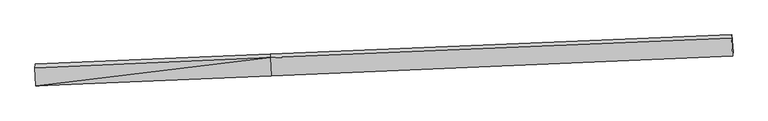
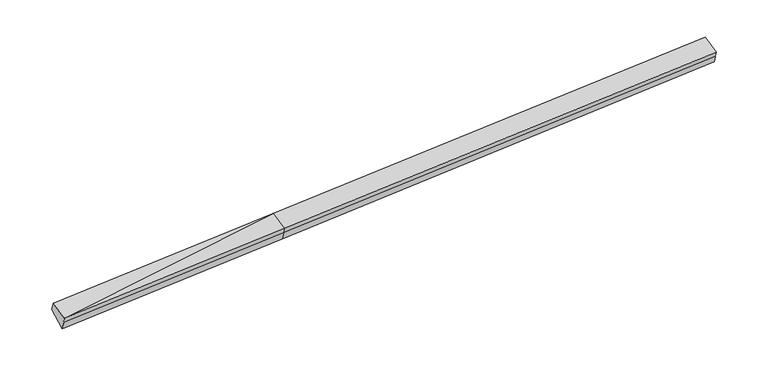
"""IFC4 building model written with IfcOpenShell, lengths in millimetres: proxy geometry."""

import ifcopenshell
import ifcopenshell.guid

model = None  # the IFC model being written
_history = None  # IfcOwnerHistory: only IFC2X3 demands one
_inside = {}  # id of a spatial element -> (the spatial element, [elements in it])
_under = {}  # id of a project, library or spatial element -> (it, [spatial elements below it])
_declared = {}  # id of a project -> (the project, [libraries it declares])
_typed = {}  # id of a type object -> (the type object, [elements of that type])
_made_of = {}  # id of a material, layer set ... -> (it, [elements and type objects made of it])


def new_model(schema):
    """Start an empty IFC model of exactly this schema.

    Asked for "IFC4X3", IfcOpenShell would pick the latest addendum, in which some entities
    have other attributes; the version numbers below select the first issue.
    IFC2X3 requires an IfcOwnerHistory on every rooted entity: one is made here for all.
    """
    global model, _history
    if schema == "IFC4X3":
        model = ifcopenshell.file(schema_version=(4, 3, 0, 0))
    else:
        model = ifcopenshell.file(schema=schema)
    _inside.clear()
    _under.clear()
    _declared.clear()
    _typed.clear()
    _made_of.clear()
    _history = None
    if model.schema == "IFC2X3":
        org = make("IfcOrganization", Name="unknown")
        user = make(
            "IfcPersonAndOrganization",
            ThePerson=make("IfcPerson", FamilyName="unknown"),
            TheOrganization=org,
        )
        app = make(
            "IfcApplication",
            ApplicationDeveloper=org,
            Version="unknown",
            ApplicationFullName="unknown",
            ApplicationIdentifier="unknown",
        )
        _history = make(
            "IfcOwnerHistory",
            OwningUser=user,
            OwningApplication=app,
            ChangeAction="ADDED",
            CreationDate=0,
        )
    return model


def make(cls, **values):
    """One entity of the class cls with the attributes given. An attribute that is None is left unset."""
    return model.create_entity(
        cls, **{name: value for name, value in values.items() if value is not None}
    )


def rooted(cls, **values):
    """An entity with a GlobalId (a new one), such as an element, a storey or a relation."""
    return make(cls, GlobalId=ifcopenshell.guid.new(), OwnerHistory=_history, **values)


def si_unit(unit_type, name, prefix=None):
    """IfcSIUnit, for example si_unit("LENGTHUNIT", "METRE", prefix="MILLI")."""
    return make("IfcSIUnit", UnitType=unit_type, Prefix=prefix, Name=name)


def assignment(units):
    """IfcUnitAssignment: the units of a project."""
    return None if units is None else make("IfcUnitAssignment", Units=units)


def point(xyz):
    """IfcCartesianPoint."""
    return None if xyz is None else make("IfcCartesianPoint", Coordinates=xyz)


def direction(xyz):
    """IfcDirection."""
    return None if xyz is None else make("IfcDirection", DirectionRatios=xyz)


def frame(location, z_axis=None, x_axis=None):
    """IfcAxis2Placement3D, a coordinate frame: its origin and axes. An axis left out is left unset."""
    return make(
        "IfcAxis2Placement3D",
        Location=point(location),
        Axis=direction(z_axis),
        RefDirection=direction(x_axis),
    )


def origin():
    """The frame at (0, 0, 0) with its axes left unset."""
    return frame((0.0, 0.0, 0.0))


def place(relative_to, where):
    """IfcLocalPlacement: puts the frame where relative to a parent placement (None: the world)."""
    return make(
        "IfcLocalPlacement", PlacementRelTo=relative_to, RelativePlacement=where
    )


def context(
    kind, dimensions, precision=None, world=None, true_north=None, identifier=None
):
    """IfcGeometricRepresentationContext, for example the 3D "Model" context."""
    return make(
        "IfcGeometricRepresentationContext",
        ContextIdentifier=identifier,
        ContextType=kind,
        CoordinateSpaceDimension=dimensions,
        Precision=precision,
        WorldCoordinateSystem=world,
        TrueNorth=true_north,
    )


def project(units=None, contexts=None):
    """IfcProject with its units and contexts."""
    return rooted(
        "IfcProject",
        Name="project",
        RepresentationContexts=contexts,
        UnitsInContext=assignment(units),
    )


def spatial(cls, under=None, at=None, **own):
    """A site, building, storey or space (cls), placed at a placement, below another one or the project."""
    s = rooted(cls, ObjectPlacement=at, **own)
    if under is not None:
        _under.setdefault(under.id(), (under, []))[1].append(s)
    return s


def shape(context_of_items, identifier, shape_type, items):
    """IfcShapeRepresentation: the items that make up one representation, for example the "Body"."""
    return make(
        "IfcShapeRepresentation",
        ContextOfItems=context_of_items,
        RepresentationIdentifier=identifier,
        RepresentationType=shape_type,
        Items=items,
    )


def source(mapping_origin, context_of_items, identifier, shape_type, items):
    """IfcRepresentationMap: a shape defined once, which mapped items show again and again."""
    return make(
        "IfcRepresentationMap",
        MappingOrigin=mapping_origin,
        MappedRepresentation=shape(context_of_items, identifier, shape_type, items),
    )


def transform(
    local_origin,
    x_axis=None,
    y_axis=None,
    z_axis=None,
    scale=None,
    scale2=None,
    scale3=None,
    uniform=True,
):
    """IfcCartesianTransformationOperator3D, or its non-uniform kind. x_axis, y_axis, z_axis: its Axis1, 2, 3."""
    if uniform:
        return make(
            "IfcCartesianTransformationOperator3D",
            Axis1=direction(x_axis),
            Axis2=direction(y_axis),
            LocalOrigin=point(local_origin),
            Scale=scale,
            Axis3=direction(z_axis),
        )
    return make(
        "IfcCartesianTransformationOperator3DnonUniform",
        Axis1=direction(x_axis),
        Axis2=direction(y_axis),
        LocalOrigin=point(local_origin),
        Scale=scale,
        Axis3=direction(z_axis),
        Scale2=scale2,
        Scale3=scale3,
    )


def mapped(mapping_source, mapping_target):
    """IfcMappedItem: shows the shape of a source again, moved by a transform."""
    return make(
        "IfcMappedItem", MappingSource=mapping_source, MappingTarget=mapping_target
    )


def made_of(thing, what):
    """Note that an element or type object is made of a material, layer set ...; save() writes the relation."""
    if what is not None:
        _made_of.setdefault(what.id(), (what, []))[1].append(thing)
    return thing


def element(
    cls,
    number,
    at=None,
    inside=None,
    cuts=None,
    type_object=None,
    material=None,
    context=None,
    identifier="Body",
    shape_type=None,
    held_by="IfcProductDefinitionShape",
    body=None,
    shapes=None,
    **own,
):
    """One element of the class cls, such as IfcWall. Its Tag is "e" and its number.

    at: its placement. inside: the storey or other place that contains it. cuts: it is an
    opening in that element (IfcRelVoidsElement). A single representation is given by context,
    identifier, shape_type and body (its items); several are given by shapes. held_by: the class
    of the entity that holds the representations. save() writes the other relations.
    """
    e = rooted(cls, Tag="e%d" % number, ObjectPlacement=at, **own)
    if body is not None:
        shapes = [shape(context, identifier, shape_type, body)]
    if shapes is not None:
        e.Representation = make(held_by, Representations=shapes)
    if inside is not None:
        _inside.setdefault(inside.id(), (inside, []))[1].append(e)
    if cuts is not None:
        rooted(
            "IfcRelVoidsElement", RelatingBuildingElement=cuts, RelatedOpeningElement=e
        )
    if type_object is not None:
        _typed.setdefault(type_object.id(), (type_object, []))[1].append(e)
    return made_of(e, material)


def aggregate(whole, parts):
    """IfcRelAggregates: a whole, such as a stair, and the parts it consists of."""
    return rooted("IfcRelAggregates", RelatingObject=whole, RelatedObjects=parts)


def save(model, path):
    """Write the relations noted so far, then the file.

    IfcRelAggregates (storeys below a building ...), IfcRelContainedInSpatialStructure (elements
    in a storey), IfcRelDefinesByType, IfcRelAssociatesMaterial and IfcRelDeclares: one each for
    every whole, place, type object, material and project.
    """
    for whole, parts in _under.values():
        aggregate(whole, parts)
    for where, things in _inside.values():
        rooted(
            "IfcRelContainedInSpatialStructure",
            RelatedElements=things,
            RelatingStructure=where,
        )
    for kind, things in _typed.values():
        rooted("IfcRelDefinesByType", RelatedObjects=things, RelatingType=kind)
    for what, things in _made_of.values():
        rooted("IfcRelAssociatesMaterial", RelatedObjects=things, RelatingMaterial=what)
    for by, libraries in _declared.values():
        rooted("IfcRelDeclares", RelatingContext=by, RelatedDefinitions=libraries)
    model.write(path)


def plane_surface(at):
    """IfcPlane: the flat surface through the origin of the frame at, square to its z axis."""
    return make("IfcPlane", Position=at)


def spline_surface(u_degree, v_degree, points, u_multiplicities, v_multiplicities, u_knots, v_knots, weights=None):
    """IfcBSplineSurfaceWithKnots; with weights, IfcRationalBSplineSurfaceWithKnots. points: one row for each step in u."""
    own = dict(
        UDegree=u_degree,
        VDegree=v_degree,
        ControlPointsList=[[point(p) for p in row] for row in points],
        SurfaceForm="UNSPECIFIED",
        UClosed=False,
        VClosed=False,
        SelfIntersect=False,
        UMultiplicities=u_multiplicities,
        VMultiplicities=v_multiplicities,
        UKnots=u_knots,
        VKnots=v_knots,
        KnotSpec="UNSPECIFIED",
    )
    if weights is None:
        return make("IfcBSplineSurfaceWithKnots", **own)
    return make("IfcRationalBSplineSurfaceWithKnots", WeightsData=weights, **own)


def advanced_brep(points, edges, surfaces, faces):
    """IfcAdvancedBrep: a solid bounded by faces that lie on surfaces and meet in shared edges.

    An edge is (start, end): straight between two places in points (the first is 0);
    or (start, end, curve); or (start, end, curve, False) where it runs against its curve.
    A face is (place in surfaces, loops), or (place, loops, False) where it looks against
    its surface's normal. A loop lists edges by number (the first is 1), with a minus sign
    where the edge is run from its end to its start. The first loop is the outer one.
    """
    corners = [point(p) for p in points]
    vertices = [make("IfcVertexPoint", VertexGeometry=c) for c in corners]
    made = []
    for start, end, *more in edges:
        made.append(
            make(
                "IfcEdgeCurve",
                EdgeStart=vertices[start],
                EdgeEnd=vertices[end],
                EdgeGeometry=more[0] if more else make("IfcPolyline", Points=[corners[start], corners[end]]),
                SameSense=more[1] if len(more) > 1 else True,
            )
        )
    hull = []
    for where, loops, *sense in faces:
        bounds = []
        for j, loop in enumerate(loops):
            ring = [make("IfcOrientedEdge", EdgeElement=made[abs(k) - 1], Orientation=k > 0) for k in loop]
            bounds.append(
                make(
                    "IfcFaceOuterBound" if j == 0 else "IfcFaceBound",
                    Bound=make("IfcEdgeLoop", EdgeList=ring),
                    Orientation=True,
                )
            )
        hull.append(make("IfcAdvancedFace", Bounds=bounds, FaceSurface=surfaces[where], SameSense=sense[0] if sense else True))
    return make("IfcAdvancedBrep", Outer=make("IfcClosedShell", CfsFaces=hull))


def generic_models_1bca76a5(model_context):
    return source(origin(), model_context, "Body", "AdvancedBrep", [
        advanced_brep(
        [(-11413.5808505, -2421.6518933, 1543.6551106), (-11407.4616099, -2362.9018349, 1353.1354763), (-2766.9575317, -1991.5186222, 1745.1796273), (-2773.0767722, -2050.2686806, 1935.6992617), (-11450.6892236, -1753.5110281, 1764.5204866), (-2810.1851453, -1382.1278154, 2156.5646377), (-11441.4005019, -1620.7088839, 1435.5276311), (-2800.8964236, -1249.3256712, 1827.5717822), (-11396.2097762, -2262.1447777, 1009.4471582), (-2755.7056979, -1890.761565, 1401.4913092), (14156.4956961, -534.4163143, 2645.0236734), (14148.7408789, -652.4916344, 2926.2591442), (14185.849252, -1320.6324996, 2705.3937682), (14191.9684925, -1261.8824412, 2514.8741339), (14201.6864218, -1175.8522081, 2218.9432004)],
        [
            (0, 1),
            (1, 2),
            (2, 3),
            (3, 0),
            (4, 0),
            (0, 5),
            (5, 4),
            (6, 4),
            (5, 7),
            (7, 6),
            (8, 6),
            (7, 9),
            (9, 8),
            (1, 8),
            (9, 2),
            (10, 11),
            (11, 12),
            (12, 13),
            (13, 14),
            (14, 10),
            (3, 5),
            (5, 11),
            (10, 7),
            (3, 12),
            (2, 13),
            (9, 14),
        ],
        [
            plane_surface(frame((-11410.5212302, -2392.2768641, 1448.3952934), z_axis=(0.05431181775947641, -0.954676922329012, -0.29264688692017093), x_axis=(0.030678089993276852, 0.29453648162456797, -0.9551476931797434))),
            plane_surface(frame((-11432.135037, -2087.5814607, 1654.0877986), z_axis=(-0.029491196360014894, -0.31520264625643596, 0.9485660552276766), x_axis=(0.052660059141984454, -0.9481509029639669, -0.31342747706571183))),
            plane_surface(frame((-11446.0448627, -1687.109956, 1600.0240589), z_axis=(-0.05671062402836878, 0.926363293353422, 0.3723371507783168), x_axis=(-0.026172268595493087, -0.3741885587462069, 0.9269832441096236))),
            plane_surface(frame((-11418.8051391, -1941.4268308, 1222.4873946), z_axis=(0.013960868609405323, 0.5539401418883785, -0.8324394352458047), x_axis=(-0.058584275095672614, 0.8315435586870102, 0.5523614692551041))),
            plane_surface(frame((-11401.8356931, -2312.5233063, 1181.2913172), z_axis=(0.053878460728760486, -0.9586938196365731, -0.27929065802517916), x_axis=(0.031400775533571235, 0.2811852547350422, -0.9591396372872304))),
            plane_surface(frame((14176.9481483, -989.0550195, 2602.098784), z_axis=(0.9981754509263885, 0.040692377291578846, 0.04460829068974522), x_axis=(-0.02541602725709431, -0.3869859823104428, 0.921735252148733))),
            plane_surface(frame((-11421.8683924, -2084.1836836, 1421.2571726), z_axis=(-0.9981754509263885, -0.04069237729157735, -0.04460829068974653), x_axis=(-0.03067808999327956, -0.2945364816245679, 0.9551476931797431))),
            plane_surface(frame((-11413.5808505, -2421.6518933, 1543.6551106), z_axis=(-0.029491196360013044, -0.3152026462564487, 0.9485660552276722), x_axis=(0.05266005914198328, -0.9481509029639625, -0.3134274770657247))),
            spline_surface(1, 1, [[(-2800.8964236, -1249.3256712, 1827.5717822), (14156.4956961, -534.4163143, 2645.0236734)], [(-2810.1851453, -1382.1278154, 2156.5646377), (14148.7408789, -652.4916344, 2926.2591442)]], [2, 2], [2, 2], [0.0, 1.0], [0.0, 1.0]),
            plane_surface(frame((-2791.6309588, -1716.198248, 2046.1319497), z_axis=(-0.029490245255785273, -0.315202607467852, 0.9485660976865141), x_axis=(0.05266005914198568, -0.9481509029639643, -0.3134274770657191))),
            plane_surface(frame((-2770.0171519, -2020.8936514, 1840.4394445), z_axis=(0.054355601323657125, -0.9546750395178407, -0.2926449000518428), x_axis=(0.03067808999327956, 0.2945364816245679, -0.9551476931797431))),
            spline_surface(1, 1, [[(-2766.9575317, -1991.5186222, 1745.1796273), (14191.9684925, -1261.8824412, 2514.8741339)], [(-2755.7056979, -1890.761565, 1401.4913092), (14201.6864218, -1175.8522081, 2218.9432004)]], [2, 2], [2, 2], [0.0, 1.0], [0.0, 1.0]),
            plane_surface(frame((-2778.3010608, -1570.0436181, 1614.5315457), z_axis=(0.016764222075483573, 0.5540532644296485, -0.8323124059108179), x_axis=(-0.05858427509567122, 0.8315435586870104, 0.5523614692551042))),
        ],
        [
            (0, [[1, 2, 3, 4]]),
            (1, [[5, 6, 7]]),
            (2, [[8, -7, 9, 10]]),
            (3, [[11, -10, 12, 13]]),
            (4, [[14, -13, 15, -2]]),
            (5, [[16, 17, 18, 19, 20]]),
            (6, [[-1, -5, -8, -11, -14]]),
            (7, [[21, -6, -4]]),
            (8, [[-9, 22, -16, 23]]),
            (9, [[-21, 24, -17, -22]]),
            (10, [[-3, 25, -18, -24]]),
            (11, [[-15, 26, -19, -25]]),
            (12, [[-12, -23, -20, -26]]),
        ],
    ),
    ])


if __name__ == "__main__":
    model = new_model("IFC4")
    model_context = context("Model", 3, world=origin())
    ifc_project = project(units=[si_unit("LENGTHUNIT", "METRE", prefix="MILLI")], contexts=[model_context])
    site = spatial("IfcSite", under=ifc_project)
    building = spatial("IfcBuilding", under=site)
    placement = place(None, origin())
    generic_models_shape = generic_models_1bca76a5(model_context)
    element("IfcBuildingElementProxy", 1, Name="Generic Models", at=placement, inside=building, context=model_context, shape_type="MappedRepresentation", body=[
        mapped(generic_models_shape, transform((0.0, 0.0, 0.0), x_axis=(1.0, 0.0, 0.0), y_axis=(0.0, 1.0, 0.0), z_axis=(0.0, 0.0, 1.0))),
    ])
    save(model, "model.ifc")
